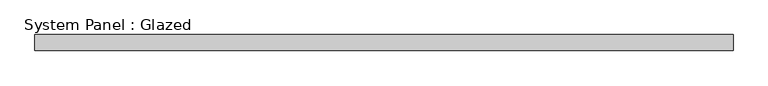
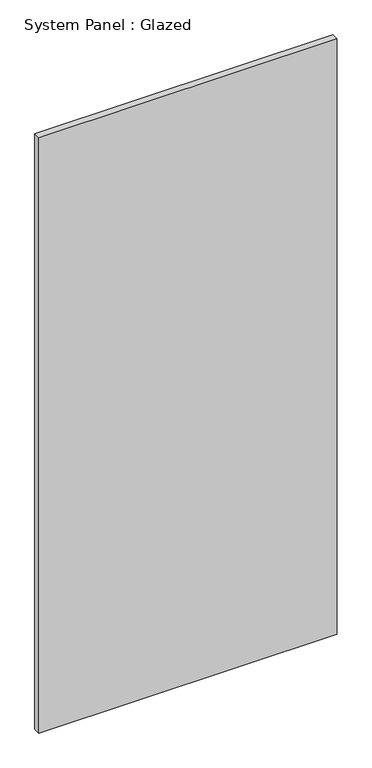
"""IFC4 building model written with IfcOpenShell, lengths in millimetres: plate geometry, System Panel : Glazed."""

from ifc_helpers import new_model, si_unit, origin, origin_with_axes, place, context, project, spatial, polyline, outline, extrude, source, transform, mapped, element, save


def system_panel_glazed_fa4b882b(model_context):
    return source(origin(), model_context, "Body", "SweptSolid", [
        extrude(outline(polyline([(545.0000002, 24.5), (-545.0000002, 24.5), (-545.0000002, 49.5), (545.0000002, 49.5), (545.0000002, 24.5)])), origin_with_axes(), (0.0, 0.0, 1.0), 2300.0),
    ])


if __name__ == "__main__":
    model = new_model("IFC4")
    model_context = context("Model", 3, world=origin())
    ifc_project = project(units=[si_unit("LENGTHUNIT", "METRE", prefix="MILLI")], contexts=[model_context])
    site = spatial("IfcSite", under=ifc_project)
    building = spatial("IfcBuilding", under=site)
    placement = place(None, origin())
    system_panel_glazed_shape = system_panel_glazed_fa4b882b(model_context)
    element("IfcPlate", 1, ObjectType="System Panel : Glazed", at=placement, inside=building, context=model_context, shape_type="MappedRepresentation", body=[
        mapped(system_panel_glazed_shape, transform((0.0, 0.0, 0.0), x_axis=(1.0, 0.0, 0.0), y_axis=(0.0, 1.0, 0.0), z_axis=(0.0, 0.0, 1.0))),
    ])
    save(model, "model.ifc")
